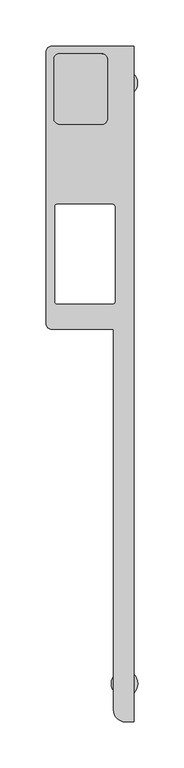
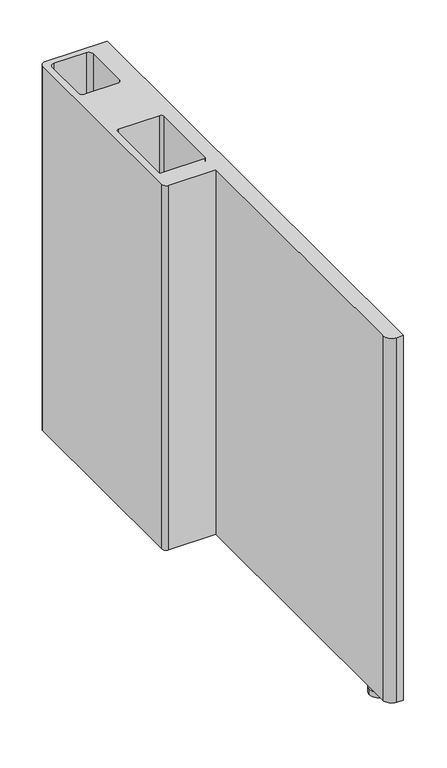
"""IFC4 building model written with IfcOpenShell, lengths in millimetres: furniture geometry."""

from ifc_helpers import new_model, si_unit, point, frame, frame_2d, origin, origin_with_axes, place, context, project, spatial, polyline, circle_curve, trimmed, segment, composite_curve, outline, extrude, source, transform, mapped, element, save
from ifc_brep_helpers import plane_surface, cylinder_surface, revolved_surface, advanced_brep


def furniture_8ba3ed84(model_context):
    return source(origin(), model_context, "Body", "SolidModel", [
        advanced_brep(
        [(1058.2790095, 31.0182356, 559.8089258), (1051.9290095, 24.6682356, 559.8089258), (1051.9290095, -270.2257644, 559.8089258), (1058.2790095, -276.5757644, 559.8089258), (1125.5813327, -276.5757644, 559.8089258), (1125.5813327, -689.9607644, 559.8089258), (1138.2813327, -702.6607644, 559.8089258), (1147.6713367, -702.6607644, 559.8089258), (1147.6713367, 31.0182356, 559.8089258), (1123.8172466, -140.6956916, 559.8089258), (1127.1940076, -144.0724525, 559.8089258), (1127.1940076, -246.0532208, 559.8089258), (1124.5015368, -248.7456915, 559.8089258), (1063.7185459, -248.7456915, 559.8089258), (1061.6889515, -246.7160971, 559.8089258), (1061.6889515, -143.5061297, 559.8089258), (1064.4993896, -140.6956916, 559.8089258), (1066.931243, -53.7740127, 559.8089258), (1060.581243, -47.4240127, 559.8089258), (1060.581243, 16.8242355, 559.8089258), (1066.3558381, 22.5988306, 559.8089258), (1112.6058775, 22.5988306, 559.8089258), (1118.9558775, 16.2488306, 559.8089258), (1118.9558775, -48.1535038, 559.8089258), (1113.3353686, -53.7740127, 559.8089258), (1058.2790095, 31.0182356, 8.1739407), (1147.6713367, 31.0182356, 8.1739407), (1147.6713367, -702.6607644, 8.1739407), (1138.2813327, -702.6607644, 8.1739407), (1125.5813327, -689.9607644, 8.1739407), (1125.5813327, -276.5757644, 8.1739407), (1058.2790095, -276.5757644, 8.1739407), (1051.9290095, -270.2257644, 8.1739407), (1051.9290095, 24.6682356, 8.1739407), (1127.1940076, -144.0724525, 8.1739407), (1123.8172466, -140.6956916, 8.1739407), (1064.4993896, -140.6956916, 8.1739407), (1061.6889515, -143.5061297, 8.1739407), (1061.6889515, -246.7160971, 8.1739407), (1063.7185459, -248.7456915, 8.1739407), (1124.5015368, -248.7456915, 8.1739407), (1127.1940076, -246.0532208, 8.1739407), (1066.931243, -53.7740127, 39.5010304), (1113.3353686, -53.7740127, 39.5010304), (1118.9558775, -48.1535038, 39.5010304), (1118.9558775, 16.2488306, 39.5010304), (1112.6058775, 22.5988306, 39.5010304), (1066.3558381, 22.5988306, 39.5010304), (1060.581243, 16.8242355, 39.5010304), (1060.581243, -47.4240127, 39.5010304)],
        [
            (0, 1, circle_curve(frame((1058.2790095, 24.6682356, 559.8089258), z_axis=(0.0, 0.0, 1.0), x_axis=(-1.0, 0.0, 0.0)), 6.35)),
            (1, 2),
            (2, 3, circle_curve(frame((1058.2790095, -270.2257644, 559.8089258), z_axis=(0.0, 0.0, 1.0), x_axis=(-1.0, 0.0, 0.0)), 6.35)),
            (3, 4),
            (4, 5),
            (5, 6, circle_curve(frame((1138.2813327, -689.9607644, 559.8089258), z_axis=(0.0, 0.0, 1.0), x_axis=(-1.0, 0.0, 0.0)), 12.7)),
            (6, 7),
            (7, 8),
            (8, 0),
            (9, 10, circle_curve(frame((1123.8172466, -144.0724525, 559.8089258), z_axis=(0.0, 0.0, -1.0), x_axis=(-1.0, 0.0, 0.0)), 3.3767609)),
            (10, 11),
            (11, 12, circle_curve(frame((1124.5015368, -246.0532208, 559.8089258), z_axis=(0.0, 0.0, -1.0), x_axis=(-1.0, 0.0, 0.0)), 2.6924707)),
            (12, 13),
            (13, 14, circle_curve(frame((1063.7185459, -246.7160971, 559.8089258), z_axis=(0.0, 0.0, -1.0), x_axis=(-1.0, 0.0, 0.0)), 2.0295944)),
            (14, 15),
            (15, 16, circle_curve(frame((1064.4993896, -143.5061297, 559.8089258), z_axis=(0.0, 0.0, -1.0), x_axis=(-1.0, 0.0, 0.0)), 2.8104381)),
            (16, 9),
            (17, 18, circle_curve(frame((1066.931243, -47.4240127, 559.8089258), z_axis=(0.0, 0.0, -1.0), x_axis=(-1.0, 0.0, 0.0)), 6.35)),
            (18, 19),
            (19, 20, circle_curve(frame((1066.3558381, 16.8242355, 559.8089258), z_axis=(0.0, 0.0, -1.0), x_axis=(-1.0, 0.0, 0.0)), 5.7745951)),
            (20, 21),
            (21, 22, circle_curve(frame((1112.6058775, 16.2488306, 559.8089258), z_axis=(0.0, 0.0, -1.0), x_axis=(-1.0, 0.0, 0.0)), 6.35)),
            (22, 23),
            (23, 24, circle_curve(frame((1113.3353686, -48.1535038, 559.8089258), z_axis=(0.0, 0.0, -1.0), x_axis=(-1.0, 0.0, 0.0)), 5.6205089)),
            (24, 17),
            (25, 26),
            (26, 27),
            (27, 28),
            (28, 29, circle_curve(frame((1138.2813327, -689.9607644, 8.1739407), z_axis=(0.0, 0.0, -1.0), x_axis=(-1.0, 0.0, 0.0)), 12.7)),
            (29, 30),
            (30, 31),
            (31, 32, circle_curve(frame((1058.2790095, -270.2257644, 8.1739407), z_axis=(0.0, 0.0, -1.0), x_axis=(-1.0, 0.0, 0.0)), 6.35)),
            (32, 33),
            (33, 25, circle_curve(frame((1058.2790095, 24.6682356, 8.1739407), z_axis=(0.0, 0.0, -1.0), x_axis=(-1.0, 0.0, 0.0)), 6.35)),
            (34, 35, circle_curve(frame((1123.8172466, -144.0724525, 8.1739407), z_axis=(0.0, 0.0, 1.0), x_axis=(-1.0, 0.0, 0.0)), 3.3767609)),
            (35, 36),
            (36, 37, circle_curve(frame((1064.4993896, -143.5061297, 8.1739407), z_axis=(0.0, 0.0, 1.0), x_axis=(-1.0, 0.0, 0.0)), 2.8104381)),
            (37, 38),
            (38, 39, circle_curve(frame((1063.7185459, -246.7160971, 8.1739407), z_axis=(0.0, 0.0, 1.0), x_axis=(-1.0, 0.0, 0.0)), 2.0295944)),
            (39, 40),
            (40, 41, circle_curve(frame((1124.5015368, -246.0532208, 8.1739407), z_axis=(0.0, 0.0, 1.0), x_axis=(-1.0, 0.0, 0.0)), 2.6924707)),
            (41, 34),
            (8, 26),
            (25, 0),
            (7, 27),
            (6, 28),
            (4, 30),
            (29, 5),
            (3, 31),
            (2, 32),
            (1, 33),
            (34, 10),
            (9, 35),
            (41, 11),
            (40, 12),
            (39, 13),
            (38, 14),
            (37, 15),
            (36, 16),
            (42, 43),
            (43, 44, circle_curve(frame((1113.3353686, -48.1535038, 39.5010304), z_axis=(0.0, 0.0, 1.0), x_axis=(-1.0, 0.0, 0.0)), 5.6205089)),
            (44, 45),
            (45, 46, circle_curve(frame((1112.6058775, 16.2488306, 39.5010304), z_axis=(0.0, 0.0, 1.0), x_axis=(-1.0, 0.0, 0.0)), 6.35)),
            (46, 47),
            (47, 48, circle_curve(frame((1066.3558381, 16.8242355, 39.5010304), z_axis=(0.0, 0.0, 1.0), x_axis=(-1.0, 0.0, 0.0)), 5.7745951)),
            (48, 49),
            (49, 42, circle_curve(frame((1066.931243, -47.4240127, 39.5010304), z_axis=(0.0, 0.0, 1.0), x_axis=(-1.0, 0.0, 0.0)), 6.35)),
            (49, 18),
            (17, 42),
            (48, 19),
            (47, 20),
            (46, 21),
            (45, 22),
            (44, 23),
            (43, 24),
        ],
        [
            plane_surface(frame((1051.9290095, 24.6682356, 559.8089258), z_axis=(0.0, 0.0, 1.0), x_axis=(0.0, -1.0, 0.0))),
            plane_surface(frame((1051.9290095, 24.6682356, 8.1739407), z_axis=(0.0, 0.0, -1.0), x_axis=(0.0, 1.0, 0.0))),
            plane_surface(frame((1147.6713367, 31.0182356, 559.8089258), z_axis=(0.0, 1.0, 0.0), x_axis=(0.0, 0.0, -1.0))),
            plane_surface(frame((1147.6713367, -702.6607644, 559.8089258), z_axis=(1.0, 0.0, 0.0), x_axis=(0.0, 0.0, -1.0))),
            plane_surface(frame((1138.2813327, -702.6607644, 559.8089258), z_axis=(0.0, -1.0, 0.0), x_axis=(0.0, 0.0, -1.0))),
            plane_surface(frame((1125.5813327, -276.5757644, 559.8089258), z_axis=(-1.0, 0.0, 0.0), x_axis=(0.0, 0.0, -1.0))),
            plane_surface(frame((1058.2790095, -276.5757644, 559.8089258), z_axis=(0.0, -1.0, 0.0), x_axis=(0.0, 0.0, -1.0))),
            cylinder_surface(frame((1058.2790095, -270.2257644, 8.1739407), z_axis=(0.0, 0.0, 1.0), x_axis=(-1.0, 0.0, 0.0)), 6.35),
            plane_surface(frame((1051.9290095, 24.6682356, 559.8089258), z_axis=(-1.0, 0.0, 0.0), x_axis=(0.0, 0.0, -1.0))),
            cylinder_surface(frame((1058.2790095, 24.6682356, 8.1739407), z_axis=(0.0, 0.0, 1.0), x_axis=(-1.0, 0.0, 0.0)), 6.35),
            cylinder_surface(frame((1138.2813327, -689.9607644, 8.1739407), z_axis=(0.0, 0.0, 1.0), x_axis=(-1.0, 0.0, 0.0)), 12.7),
            revolved_surface(polyline([(1120.4404857000002, -144.0724525, 559.8089258), (1120.4404857000002, -144.0724525, 8.1739407)]), (1123.8172466, -144.0724525, 8.1739407), (0.0, 0.0, 1.0)),
            plane_surface(frame((1127.1940076, -246.0532208, 605.7532968), z_axis=(-1.0, 0.0, 0.0), x_axis=(0.0, 0.0, -1.0))),
            revolved_surface(polyline([(1121.8090660999999, -246.0532208, 559.8089258), (1121.8090660999999, -246.0532208, 8.1739407)]), (1124.5015368, -246.0532208, 8.1739407), (0.0, 0.0, 1.0)),
            plane_surface(frame((1063.7185459, -248.7456915, 605.7532968), z_axis=(0.0, 1.0, 0.0), x_axis=(0.0, 0.0, -1.0))),
            revolved_surface(polyline([(1061.6889515, -246.7160971, 559.8089258), (1061.6889515, -246.7160971, 8.1739407)]), (1063.7185459, -246.7160971, 8.1739407), (0.0, 0.0, 1.0)),
            plane_surface(frame((1061.6889515, -143.5061297, 605.7532968), z_axis=(1.0, 0.0, 0.0), x_axis=(0.0, 0.0, -1.0))),
            revolved_surface(polyline([(1061.6889515, -143.5061297, 559.8089258), (1061.6889515, -143.5061297, 8.1739407)]), (1064.4993896, -143.5061297, 8.1739407), (0.0, 0.0, 1.0)),
            plane_surface(frame((1123.8172466, -140.6956916, 605.7532968), z_axis=(0.0, -1.0, 0.0), x_axis=(0.0, 0.0, -1.0))),
            plane_surface(frame((1113.3353686, -53.7740127, 39.5010304), z_axis=(0.0, 0.0, 1.0), x_axis=(-1.0, 0.0, 0.0))),
            revolved_surface(polyline([(1060.581243, -47.4240127, 559.8089258), (1060.581243, -47.4240127, 39.5010304)]), (1066.931243, -47.4240127, 39.5010304), (0.0, 0.0, 1.0)),
            plane_surface(frame((1060.581243, 16.8242355, 597.4066154), z_axis=(1.0, 0.0, 0.0), x_axis=(0.0, 0.0, -1.0))),
            revolved_surface(polyline([(1060.581243, 16.8242355, 559.8089258), (1060.581243, 16.8242355, 39.5010304)]), (1066.3558381, 16.8242355, 39.5010304), (0.0, 0.0, 1.0)),
            plane_surface(frame((1112.6058775, 22.5988306, 597.4066154), z_axis=(0.0, -1.0, 0.0), x_axis=(0.0, 0.0, -1.0))),
            revolved_surface(polyline([(1106.2558775, 16.2488306, 559.8089258), (1106.2558775, 16.2488306, 39.5010304)]), (1112.6058775, 16.2488306, 39.5010304), (0.0, 0.0, 1.0)),
            plane_surface(frame((1118.9558775, -48.1535038, 597.4066154), z_axis=(-1.0, 0.0, 0.0), x_axis=(0.0, 0.0, -1.0))),
            revolved_surface(polyline([(1107.7148597, -48.1535038, 559.8089258), (1107.7148597, -48.1535038, 39.5010304)]), (1113.3353686, -48.1535038, 39.5010304), (0.0, 0.0, 1.0)),
            plane_surface(frame((1066.931243, -53.7740127, 597.4066154), z_axis=(0.0, 1.0, 0.0), x_axis=(0.0, 0.0, -1.0))),
        ],
        [
            (0, [[1, 2, 3, 4, 5, 6, 7, 8, 9], [10, 11, 12, 13, 14, 15, 16, 17], [18, 19, 20, 21, 22, 23, 24, 25]]),
            (1, [[26, 27, 28, 29, 30, 31, 32, 33, 34], [35, 36, 37, 38, 39, 40, 41, 42]]),
            (2, [[-9, 43, -26, 44]]),
            (3, [[-8, 45, -27, -43]]),
            (4, [[-7, 46, -28, -45]]),
            (5, [[-5, 47, -30, 48]]),
            (6, [[-4, 49, -31, -47]]),
            (7, [[-3, 50, -32, -49]]),
            (8, [[-2, 51, -33, -50]]),
            (9, [[-1, -44, -34, -51]]),
            (10, [[-6, -48, -29, -46]]),
            (11, [[52, -10, 53, -35]]),
            (12, [[-52, -42, 54, -11]]),
            (13, [[-54, -41, 55, -12]]),
            (14, [[-55, -40, 56, -13]]),
            (15, [[-56, -39, 57, -14]]),
            (16, [[-57, -38, 58, -15]]),
            (17, [[-58, -37, 59, -16]]),
            (18, [[-59, -36, -53, -17]]),
            (19, [[60, 61, 62, 63, 64, 65, 66, 67]]),
            (20, [[-67, 68, -18, 69]]),
            (21, [[-66, 70, -19, -68]]),
            (22, [[-65, 71, -20, -70]]),
            (23, [[-64, 72, -21, -71]]),
            (24, [[-63, 73, -22, -72]]),
            (25, [[-62, 74, -23, -73]]),
            (26, [[-61, 75, -24, -74]]),
            (27, [[-60, -69, -25, -75]]),
        ],
    ),
        extrude(outline(composite_curve([segment(trimmed(circle_curve(frame_2d((1137.0602901, -9.1534519)), 14.4754228), [point((1151.5357129, -9.1534519))], [point((1122.5848673, -9.1534519))], False, "CARTESIAN"), True, "CONTINUOUS"), segment(trimmed(circle_curve(frame_2d((1137.0602901, -9.1534519)), 14.4754228), [point((1122.5848673, -9.1534519))], [point((1151.5357129, -9.1534519))], False, "CARTESIAN"), True, "CONTINUOUS")], self_intersect=False)), origin_with_axes(), (0.0, 0.0, 1.0), 8.1739407),
        extrude(outline(composite_curve([segment(trimmed(circle_curve(frame_2d((1137.3863375, -661.1407667)), 14.4044418), [point((1151.7907793, -661.1407667))], [point((1122.9818958, -661.1407667))], False, "CARTESIAN"), True, "CONTINUOUS"), segment(trimmed(circle_curve(frame_2d((1137.3863375, -661.1407667)), 14.4044418), [point((1122.9818958, -661.1407667))], [point((1151.7907793, -661.1407667))], False, "CARTESIAN"), True, "CONTINUOUS")], self_intersect=False)), origin_with_axes(), (0.0, 0.0, 1.0), 8.1739407),
    ])


if __name__ == "__main__":
    model = new_model("IFC4")
    model_context = context("Model", 3, world=origin())
    ifc_project = project(units=[si_unit("LENGTHUNIT", "METRE", prefix="MILLI")], contexts=[model_context])
    site = spatial("IfcSite", under=ifc_project)
    building = spatial("IfcBuilding", under=site)
    placement = place(None, origin())
    furniture_shape = furniture_8ba3ed84(model_context)
    element("IfcFurniture", 1, at=placement, inside=building, context=model_context, shape_type="MappedRepresentation", body=[
        mapped(furniture_shape, transform((0.0, 0.0, 0.0), x_axis=(1.0, 0.0, 0.0), y_axis=(0.0, 1.0, 0.0), z_axis=(0.0, 0.0, 1.0))),
    ])
    save(model, "model.ifc")
